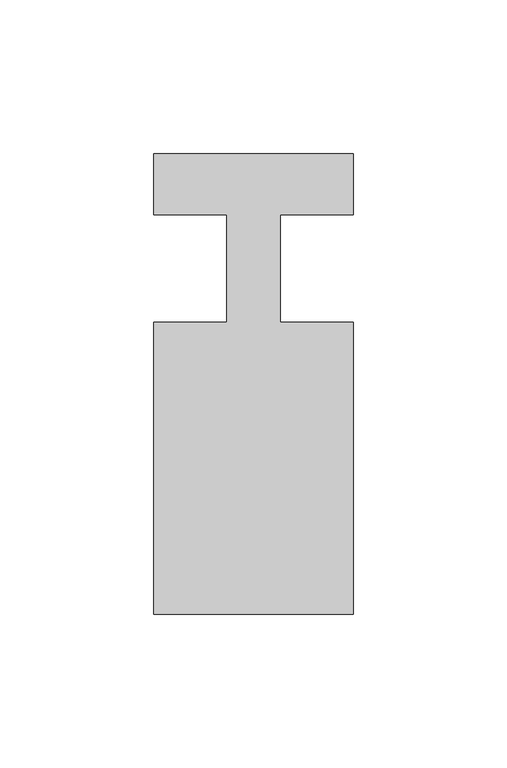
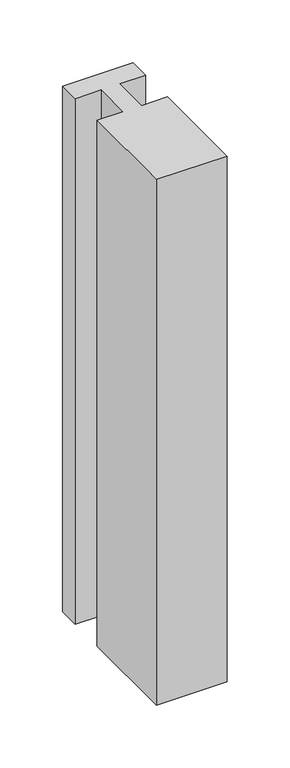
"""IFC4 building model written with IfcOpenShell, lengths in millimetres: member geometry."""

from ifc_helpers import new_model, si_unit, frame, origin, place, context, project, spatial, polyline, outline, extrude, source, transform, mapped, element, save


def member_cefff981(model_context):
    return source(origin(), model_context, "Body", "SweptSolid", [
        extrude(outline(polyline([(0.0, 37.0), (0.0, 17.0), (-23.8125, 17.0), (-23.8125, -18.0), (0.0, -18.0), (0.0, -113.0), (-65.0, -113.0), (-65.0, -18.0), (-41.1875, -18.0), (-41.1875, 17.0), (-65.0, 17.0), (-65.0, 37.0), (0.0, 37.0)])), frame((0.0, 0.0, -511.90625), z_axis=(0.0, 0.0, 1.0), x_axis=(1.0, 0.0, 0.0)), (0.0, 0.0, 1.0), 511.90625),
    ])


if __name__ == "__main__":
    model = new_model("IFC4")
    model_context = context("Model", 3, world=origin())
    ifc_project = project(units=[si_unit("LENGTHUNIT", "METRE", prefix="MILLI")], contexts=[model_context])
    site = spatial("IfcSite", under=ifc_project)
    building = spatial("IfcBuilding", under=site)
    placement = place(None, origin())
    member_shape = member_cefff981(model_context)
    element("IfcMember", 1, at=placement, inside=building, context=model_context, shape_type="MappedRepresentation", body=[
        mapped(member_shape, transform((0.0, 0.0, 0.0), x_axis=(1.0, 0.0, 0.0), y_axis=(0.0, 1.0, 0.0), z_axis=(0.0, 0.0, 1.0))),
    ])
    save(model, "model.ifc")
